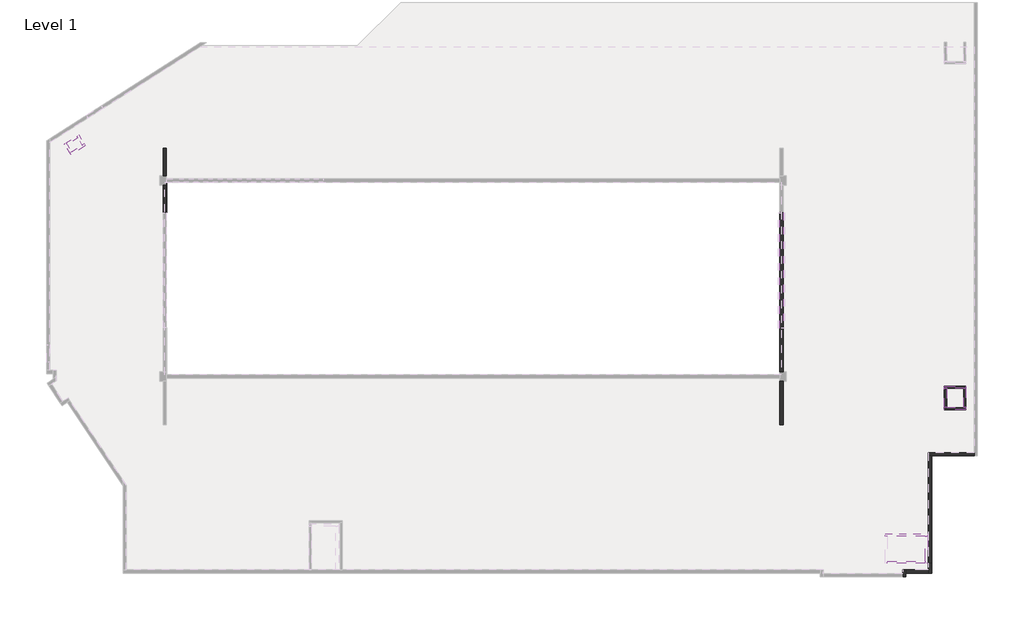
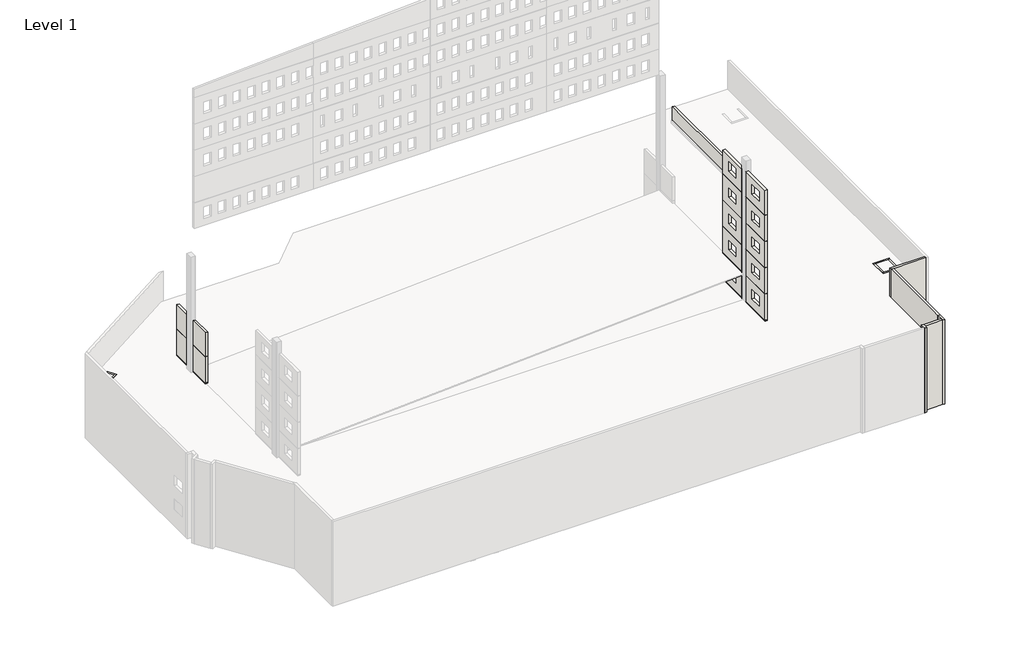
# One storey, part 2 of 4: 26 walls.
"""IFC4 building model written with IfcOpenShell, lengths in millimetres."""

from ifc_helpers import new_model, si_unit, frame, origin, place, context, project, spatial, polyline, outline, extrude, faceted_brep, element, save

model = new_model("IFC4")

# Units and contexts
model_context = context("Model", 3, world=origin())
ifc_project = project(units=[si_unit("LENGTHUNIT", "METRE", prefix="MILLI")], contexts=[model_context])

# Site, building, storey
site = spatial("IfcSite", under=ifc_project)
building = spatial("IfcBuilding", under=site)
storey = spatial("IfcBuildingStorey", under=building, Name="Level 1", Elevation=0.0)

# Walls
placement = place(None, origin())
element("IfcWall", 1, at=placement, inside=storey, context=model_context, shape_type="Brep", body=[
    faceted_brep([(53960.8784389, -7557.3634987, 406.4), (53960.8784389, -7557.3634987, 3403.6), (53960.8784389, -11686.6680269, 3403.6), (53960.8784389, -11686.6680269, 406.4), (53656.0784389, -7557.3634987, 3403.6), (53656.0784389, -7557.3634987, 406.4), (53656.0784389, -11705.7180269, 406.4), (53656.0784389, -11705.7180269, 3403.6), (53675.1284389, -11686.6680269, 3403.6), (53675.1284389, -11686.6680269, 406.4)], [[[0, 1, 2, 3]], [[4, 5, 6, 7]], [[8, 9, 3, 2]], [[9, 8, 7, 6]], [[5, 0, 3, 9, 6]], [[1, 0, 5, 4]], [[1, 4, 7, 8, 2]]]),
    faceted_brep([(53960.8784389, -16715.8680269, 24104.6), (53960.8784389, -16715.8680269, 20828.0), (53960.8784389, -12601.0680269, 20828.0), (53960.8784389, -12601.0680269, 24104.6), (53960.8784389, -15423.3567542, 23160.1347167), (53960.8784389, -13899.3567542, 23160.1347167), (53960.8784389, -13899.3567542, 21940.9347167), (53960.8784389, -15423.3567542, 21940.9347167), (53656.0784389, -16715.8680269, 20828.0), (53656.0784389, -16715.8680269, 24104.6), (53656.0784389, -12582.0180269, 24104.6), (53656.0784389, -12582.0180269, 20828.0), (53656.0784389, -13899.3567542, 23160.1347167), (53656.0784389, -15423.3567542, 23160.1347167), (53656.0784389, -15423.3567542, 21940.9347167), (53656.0784389, -13899.3567542, 21940.9347167), (53675.1284389, -12601.0680269, 20828.0), (53675.1284389, -12601.0680269, 24104.6)], [[[0, 1, 2, 3], [4, 5, 6, 7]], [[8, 9, 10, 11], [12, 13, 14, 15]], [[16, 17, 3, 2]], [[17, 16, 11, 10]], [[9, 0, 3, 17, 10]], [[1, 0, 9, 8]], [[1, 8, 11, 16, 2]], [[5, 4, 13, 12]], [[6, 5, 12, 15]], [[7, 6, 15, 14]], [[4, 7, 14, 13]]]),
    faceted_brep([(53960.8784389, -16715.8680269, 3403.6), (53960.8784389, -16715.8680269, 406.4), (53960.8784389, -12601.0680269, 406.4), (53960.8784389, -12601.0680269, 3403.6), (53960.8784389, -15423.3567542, 2738.4535586), (53960.8784389, -13899.3567542, 2738.4535586), (53960.8784389, -13899.3567542, 1519.2535586), (53960.8784389, -15423.3567542, 1519.2535586), (53656.0784389, -16715.8680269, 406.4), (53656.0784389, -16715.8680269, 3403.6), (53656.0784389, -12582.0180269, 3403.6), (53656.0784389, -12582.0180269, 406.4), (53656.0784389, -13899.3567542, 2738.4535586), (53656.0784389, -15423.3567542, 2738.4535586), (53656.0784389, -15423.3567542, 1519.2535586), (53656.0784389, -13899.3567542, 1519.2535586), (53675.1284389, -12601.0680269, 406.4), (53675.1284389, -12601.0680269, 3403.6)], [[[0, 1, 2, 3], [4, 5, 6, 7]], [[8, 9, 10, 11], [12, 13, 14, 15]], [[16, 17, 3, 2]], [[17, 16, 11, 10]], [[1, 8, 11, 16, 2]], [[9, 0, 3, 17, 10]], [[1, 0, 9, 8]], [[5, 4, 13, 12]], [[6, 5, 12, 15]], [[7, 6, 15, 14]], [[4, 7, 14, 13]]]),
    faceted_brep([(53960.8784389, -16715.8680269, 20802.6), (53960.8784389, -16715.8680269, 17348.2), (53960.8784389, -12601.0680269, 17348.2), (53960.8784389, -12601.0680269, 20802.6), (53960.8784389, -15423.3567542, 19680.3347167), (53960.8784389, -13899.3567542, 19680.3347167), (53960.8784389, -13899.3567542, 18461.1347167), (53960.8784389, -15423.3567542, 18461.1347167), (53656.0784389, -16715.8680269, 17348.2), (53656.0784389, -16715.8680269, 20802.6), (53656.0784389, -12582.0180269, 20802.6), (53656.0784389, -12582.0180269, 17348.2), (53656.0784389, -13899.3567542, 19680.3347167), (53656.0784389, -15423.3567542, 19680.3347167), (53656.0784389, -15423.3567542, 18461.1347167), (53656.0784389, -13899.3567542, 18461.1347167), (53675.1284389, -12601.0680269, 17348.2), (53675.1284389, -12601.0680269, 20802.6)], [[[0, 1, 2, 3], [4, 5, 6, 7]], [[8, 9, 10, 11], [12, 13, 14, 15]], [[16, 17, 3, 2]], [[17, 16, 11, 10]], [[1, 0, 9, 8]], [[1, 8, 11, 16, 2]], [[9, 0, 3, 17, 10]], [[5, 4, 13, 12]], [[6, 5, 12, 15]], [[7, 6, 15, 14]], [[4, 7, 14, 13]]]),
    faceted_brep([(53960.8784389, -7557.3634987, 17348.2), (53960.8784389, -7557.3634987, 20802.6), (53960.8784389, -11686.6680269, 20802.6), (53960.8784389, -11686.6680269, 17348.2), (53960.8784389, -8864.3792997, 19680.3347167), (53960.8784389, -8864.3792997, 18461.1347167), (53960.8784389, -10388.3792997, 18461.1347167), (53960.8784389, -10388.3792997, 19680.3347167), (53656.0784389, -7557.3634987, 20802.6), (53656.0784389, -7557.3634987, 17348.2), (53656.0784389, -11705.7180269, 17348.2), (53656.0784389, -11705.7180269, 20802.6), (53656.0784389, -8864.3792997, 18461.1347167), (53656.0784389, -8864.3792997, 19680.3347167), (53656.0784389, -10388.3792997, 19680.3347167), (53656.0784389, -10388.3792997, 18461.1347167), (53675.1284389, -11686.6680269, 20802.6), (53675.1284389, -11686.6680269, 17348.2)], [[[0, 1, 2, 3], [4, 5, 6, 7]], [[8, 9, 10, 11], [12, 13, 14, 15]], [[16, 17, 3, 2]], [[17, 16, 11, 10]], [[9, 0, 3, 17, 10]], [[1, 0, 9, 8]], [[1, 8, 11, 16, 2]], [[5, 4, 13, 12]], [[6, 5, 12, 15]], [[7, 6, 15, 14]], [[4, 7, 14, 13]]]),
    faceted_brep([(53960.8784389, -16715.8680269, 17322.8), (53960.8784389, -16715.8680269, 13868.4), (53960.8784389, -12601.0680269, 13868.4), (53960.8784389, -12601.0680269, 17322.8), (53960.8784389, -15423.3567542, 16200.5347167), (53960.8784389, -13899.3567542, 16200.5347167), (53960.8784389, -13899.3567542, 14981.3347167), (53960.8784389, -15423.3567542, 14981.3347167), (53656.0784389, -16715.8680269, 13868.4), (53656.0784389, -16715.8680269, 17322.8), (53656.0784389, -12582.0180269, 17322.8), (53656.0784389, -12582.0180269, 13868.4), (53656.0784389, -13899.3567542, 16200.5347167), (53656.0784389, -15423.3567542, 16200.5347167), (53656.0784389, -15423.3567542, 14981.3347167), (53656.0784389, -13899.3567542, 14981.3347167), (53675.1284389, -12601.0680269, 13868.4), (53675.1284389, -12601.0680269, 17322.8)], [[[0, 1, 2, 3], [4, 5, 6, 7]], [[8, 9, 10, 11], [12, 13, 14, 15]], [[16, 17, 3, 2]], [[17, 16, 11, 10]], [[1, 0, 9, 8]], [[1, 8, 11, 16, 2]], [[9, 0, 3, 17, 10]], [[5, 4, 13, 12]], [[6, 5, 12, 15]], [[7, 6, 15, 14]], [[4, 7, 14, 13]]]),
    faceted_brep([(53960.8784389, -7557.3634987, 13868.4), (53960.8784389, -7557.3634987, 17322.8), (53960.8784389, -11686.6680269, 17322.8), (53960.8784389, -11686.6680269, 13868.4), (53960.8784389, -8864.3792997, 16200.5347167), (53960.8784389, -8864.3792997, 14981.3347167), (53960.8784389, -10388.3792997, 14981.3347167), (53960.8784389, -10388.3792997, 16200.5347167), (53656.0784389, -7557.3634987, 17322.8), (53656.0784389, -7557.3634987, 13868.4), (53656.0784389, -11705.7180269, 13868.4), (53656.0784389, -11705.7180269, 17322.8), (53656.0784389, -8864.3792997, 14981.3347167), (53656.0784389, -8864.3792997, 16200.5347167), (53656.0784389, -10388.3792997, 16200.5347167), (53656.0784389, -10388.3792997, 14981.3347167), (53675.1284389, -11686.6680269, 17322.8), (53675.1284389, -11686.6680269, 13868.4)], [[[0, 1, 2, 3], [4, 5, 6, 7]], [[8, 9, 10, 11], [12, 13, 14, 15]], [[16, 17, 3, 2]], [[17, 16, 11, 10]], [[9, 0, 3, 17, 10]], [[1, 0, 9, 8]], [[1, 8, 11, 16, 2]], [[5, 4, 13, 12]], [[6, 5, 12, 15]], [[7, 6, 15, 14]], [[4, 7, 14, 13]]]),
    faceted_brep([(53960.8784389, -16715.8680269, 13843.0), (53960.8784389, -16715.8680269, 10388.6), (53960.8784389, -12601.0680269, 10388.6), (53960.8784389, -12601.0680269, 13843.0), (53960.8784389, -15423.3567542, 12720.7347167), (53960.8784389, -13899.3567542, 12720.7347167), (53960.8784389, -13899.3567542, 11501.5347167), (53960.8784389, -15423.3567542, 11501.5347167), (53656.0784389, -16715.8680269, 10388.6), (53656.0784389, -16715.8680269, 13843.0), (53656.0784389, -12582.0180269, 13843.0), (53656.0784389, -12582.0180269, 10388.6), (53656.0784389, -13899.3567542, 12720.7347167), (53656.0784389, -15423.3567542, 12720.7347167), (53656.0784389, -15423.3567542, 11501.5347167), (53656.0784389, -13899.3567542, 11501.5347167), (53675.1284389, -12601.0680269, 10388.6), (53675.1284389, -12601.0680269, 13843.0)], [[[0, 1, 2, 3], [4, 5, 6, 7]], [[8, 9, 10, 11], [12, 13, 14, 15]], [[16, 17, 3, 2]], [[17, 16, 11, 10]], [[1, 0, 9, 8]], [[1, 8, 11, 16, 2]], [[9, 0, 3, 17, 10]], [[5, 4, 13, 12]], [[6, 5, 12, 15]], [[7, 6, 15, 14]], [[4, 7, 14, 13]]]),
    faceted_brep([(53960.8784389, -7557.3634987, 10388.6), (53960.8784389, -7557.3634987, 13843.0), (53960.8784389, -11686.6680269, 13843.0), (53960.8784389, -11686.6680269, 10388.6), (53960.8784389, -8864.3792997, 12720.7347167), (53960.8784389, -8864.3792997, 11501.5347167), (53960.8784389, -10388.3792997, 11501.5347167), (53960.8784389, -10388.3792997, 12720.7347167), (53656.0784389, -7557.3634987, 13843.0), (53656.0784389, -7557.3634987, 10388.6), (53656.0784389, -11705.7180269, 10388.6), (53656.0784389, -11705.7180269, 13843.0), (53656.0784389, -8864.3792997, 11501.5347167), (53656.0784389, -8864.3792997, 12720.7347167), (53656.0784389, -10388.3792997, 12720.7347167), (53656.0784389, -10388.3792997, 11501.5347167), (53675.1284389, -11686.6680269, 13843.0), (53675.1284389, -11686.6680269, 10388.6)], [[[0, 1, 2, 3], [4, 5, 6, 7]], [[8, 9, 10, 11], [12, 13, 14, 15]], [[16, 17, 3, 2]], [[17, 16, 11, 10]], [[9, 0, 3, 17, 10]], [[1, 0, 9, 8]], [[1, 8, 11, 16, 2]], [[5, 4, 13, 12]], [[6, 5, 12, 15]], [[7, 6, 15, 14]], [[4, 7, 14, 13]]]),
    faceted_brep([(53960.8784389, -16715.8680269, 10363.2), (53960.8784389, -16715.8680269, 6908.8), (53960.8784389, -12601.0680269, 6908.8), (53960.8784389, -12601.0680269, 10363.2), (53960.8784389, -15423.3567542, 9240.9347167), (53960.8784389, -13899.3567542, 9240.9347167), (53960.8784389, -13899.3567542, 8021.7347167), (53960.8784389, -15423.3567542, 8021.7347167), (53656.0784389, -16715.8680269, 6908.8), (53656.0784389, -16715.8680269, 10363.2), (53656.0784389, -12582.0180269, 10363.2), (53656.0784389, -12582.0180269, 6908.8), (53656.0784389, -13899.3567542, 9240.9347167), (53656.0784389, -15423.3567542, 9240.9347167), (53656.0784389, -15423.3567542, 8021.7347167), (53656.0784389, -13899.3567542, 8021.7347167), (53675.1284389, -12601.0680269, 6908.8), (53675.1284389, -12601.0680269, 10363.2)], [[[0, 1, 2, 3], [4, 5, 6, 7]], [[8, 9, 10, 11], [12, 13, 14, 15]], [[16, 17, 3, 2]], [[17, 16, 11, 10]], [[9, 0, 3, 17, 10]], [[1, 0, 9, 8]], [[1, 8, 11, 16, 2]], [[5, 4, 13, 12]], [[6, 5, 12, 15]], [[7, 6, 15, 14]], [[4, 7, 14, 13]]]),
    faceted_brep([(53960.8784389, -7557.3634987, 6908.8), (53960.8784389, -7557.3634987, 10363.2), (53960.8784389, -11686.6680269, 10363.2), (53960.8784389, -11686.6680269, 6908.8), (53960.8784389, -8864.3792997, 9240.9347167), (53960.8784389, -8864.3792997, 8021.7347167), (53960.8784389, -10388.3792997, 8021.7347167), (53960.8784389, -10388.3792997, 9240.9347167), (53656.0784389, -7557.3634987, 10363.2), (53656.0784389, -7557.3634987, 6908.8), (53656.0784389, -11705.7180269, 6908.8), (53656.0784389, -11705.7180269, 10363.2), (53656.0784389, -8864.3792997, 8021.7347167), (53656.0784389, -8864.3792997, 9240.9347167), (53656.0784389, -10388.3792997, 9240.9347167), (53656.0784389, -10388.3792997, 8021.7347167), (53675.1284389, -11686.6680269, 10363.2), (53675.1284389, -11686.6680269, 6908.8)], [[[0, 1, 2, 3], [4, 5, 6, 7]], [[8, 9, 10, 11], [12, 13, 14, 15]], [[16, 17, 3, 2]], [[17, 16, 11, 10]], [[1, 8, 11, 16, 2]], [[9, 0, 3, 17, 10]], [[1, 0, 9, 8]], [[5, 4, 13, 12]], [[6, 5, 12, 15]], [[7, 6, 15, 14]], [[4, 7, 14, 13]]]),
    faceted_brep([(53960.8784389, -16715.8680269, 6883.4), (53960.8784389, -16715.8680269, 3429.0), (53960.8784389, -12601.0680269, 3429.0), (53960.8784389, -12601.0680269, 6883.4), (53960.8784389, -15423.3567542, 5761.1347167), (53960.8784389, -13899.3567542, 5761.1347167), (53960.8784389, -13899.3567542, 4541.9347167), (53960.8784389, -15423.3567542, 4541.9347167), (53656.0784389, -16715.8680269, 3429.0), (53656.0784389, -16715.8680269, 6883.4), (53656.0784389, -12582.0180269, 6883.4), (53656.0784389, -12582.0180269, 3429.0), (53656.0784389, -13899.3567542, 5761.1347167), (53656.0784389, -15423.3567542, 5761.1347167), (53656.0784389, -15423.3567542, 4541.9347167), (53656.0784389, -13899.3567542, 4541.9347167), (53675.1284389, -12601.0680269, 3429.0), (53675.1284389, -12601.0680269, 6883.4)], [[[0, 1, 2, 3], [4, 5, 6, 7]], [[8, 9, 10, 11], [12, 13, 14, 15]], [[16, 17, 3, 2]], [[17, 16, 11, 10]], [[1, 0, 9, 8]], [[1, 8, 11, 16, 2]], [[9, 0, 3, 17, 10]], [[5, 4, 13, 12]], [[6, 5, 12, 15]], [[7, 6, 15, 14]], [[4, 7, 14, 13]]]),
    faceted_brep([(53960.8784389, -7557.3634987, 3429.0), (53960.8784389, -7557.3634987, 6883.4), (53960.8784389, -11686.6680269, 6883.4), (53960.8784389, -11686.6680269, 3429.0), (53960.8784389, -8864.3792997, 5761.1347167), (53960.8784389, -8864.3792997, 4541.9347167), (53960.8784389, -10388.3792997, 4541.9347167), (53960.8784389, -10388.3792997, 5761.1347167), (53656.0784389, -7557.3634987, 6883.4), (53656.0784389, -7557.3634987, 3429.0), (53656.0784389, -11705.7180269, 3429.0), (53656.0784389, -11705.7180269, 6883.4), (53656.0784389, -8864.3792997, 4541.9347167), (53656.0784389, -8864.3792997, 5761.1347167), (53656.0784389, -10388.3792997, 5761.1347167), (53656.0784389, -10388.3792997, 4541.9347167), (53675.1284389, -11686.6680269, 6883.4), (53675.1284389, -11686.6680269, 3429.0)], [[[0, 1, 2, 3], [4, 5, 6, 7]], [[8, 9, 10, 11], [12, 13, 14, 15]], [[16, 17, 3, 2]], [[17, 16, 11, 10]], [[9, 0, 3, 17, 10]], [[1, 0, 9, 8]], [[1, 8, 11, 16, 2]], [[5, 4, 13, 12]], [[6, 5, 12, 15]], [[7, 6, 15, 14]], [[4, 7, 14, 13]]]),
    faceted_brep([(53960.8784389, -7557.3634987, 20828.0), (53960.8784389, -7557.3634987, 23926.8), (53960.8784389, -11686.6680269, 23926.8), (53960.8784389, -11686.6680269, 20828.0), (53960.8784389, -8864.3792997, 23160.1347167), (53960.8784389, -8864.3792997, 21940.9347167), (53960.8784389, -10388.3792997, 21940.9347167), (53960.8784389, -10388.3792997, 23160.1347167), (53656.0784389, -7557.3634987, 23926.8), (53656.0784389, -7557.3634987, 23012.4), (53656.0784389, -7557.3634987, 21234.4), (53656.0784389, -7557.3634987, 20828.0), (53656.0784389, -11705.7180269, 20828.0), (53656.0784389, -11705.7180269, 23926.8), (53656.0784389, -8864.3792997, 21940.9347167), (53656.0784389, -8864.3792997, 23160.1347167), (53656.0784389, -10388.3792997, 23160.1347167), (53656.0784389, -10388.3792997, 21940.9347167), (53675.1284389, -11686.6680269, 23926.8), (53675.1284389, -11686.6680269, 20828.0)], [[[0, 1, 2, 3], [4, 5, 6, 7]], [[8, 9, 10, 11, 12, 13], [14, 15, 16, 17]], [[18, 19, 3, 2]], [[19, 18, 13, 12]], [[1, 8, 13, 18, 2]], [[11, 0, 3, 19, 12]], [[5, 4, 15, 14]], [[6, 5, 14, 17]], [[7, 6, 17, 16]], [[4, 7, 16, 15]], [[0, 11, 10, 9, 8, 1]]]),
])
element("IfcWall", 2, at=placement, inside=storey, context=model_context, shape_type="SweptSolid", body=[
    extrude(outline(polyline([(-4865.5215611, 9496.9319731), (-4560.7215611, 9496.9319731), (-4560.7215611, 6887.0819731), (-4579.7715611, 6906.1319731), (-4865.5215611, 6906.1319731), (-4865.5215611, 9496.9319731)])), frame((0.0, 0.0, 406.4), z_axis=(0.0, 0.0, 1.0), x_axis=(1.0, 0.0, 0.0)), (0.0, 0.0, 1.0), 2997.2),
    extrude(outline(polyline([(-4560.7215611, 3375.5319731), (-4865.5215611, 3375.5319731), (-4865.5215611, 5991.7319731), (-4579.7715611, 5991.7319731), (-4560.7215611, 6010.7819731), (-4560.7215611, 3375.5319731)])), frame((0.0, 0.0, 10388.6), z_axis=(0.0, 0.0, 1.0), x_axis=(1.0, 0.0, 0.0)), (0.0, 0.0, 1.0), 3177.4329103),
    extrude(outline(polyline([(-4865.5215611, 9496.9319731), (-4560.7215611, 9496.9319731), (-4560.7215611, 6887.0819731), (-4579.7715611, 6906.1319731), (-4865.5215611, 6906.1319731), (-4865.5215611, 9496.9319731)])), frame((0.0, 0.0, 10388.6), z_axis=(0.0, 0.0, 1.0), x_axis=(1.0, 0.0, 0.0)), (0.0, 0.0, 1.0), 3177.4329103),
    extrude(outline(polyline([(-4560.7215611, 3375.5319731), (-4865.5215611, 3375.5319731), (-4865.5215611, 5991.7319731), (-4579.7715611, 5991.7319731), (-4560.7215611, 6010.7819731), (-4560.7215611, 3375.5319731)])), frame((0.0, 0.0, 406.4), z_axis=(0.0, 0.0, 1.0), x_axis=(1.0, 0.0, 0.0)), (0.0, 0.0, 1.0), 2997.2),
    extrude(outline(polyline([(-4560.7215611, 3375.5319731), (-4865.5215611, 3375.5319731), (-4865.5215611, 5991.7319731), (-4579.7715611, 5991.7319731), (-4560.7215611, 6010.7819731), (-4560.7215611, 3375.5319731)])), frame((0.0, 0.0, 6908.8), z_axis=(0.0, 0.0, 1.0), x_axis=(1.0, 0.0, 0.0)), (0.0, 0.0, 1.0), 3454.4),
    extrude(outline(polyline([(-4865.5215611, 9496.9319731), (-4560.7215611, 9496.9319731), (-4560.7215611, 6887.0819731), (-4579.7715611, 6906.1319731), (-4865.5215611, 6906.1319731), (-4865.5215611, 9496.9319731)])), frame((0.0, 0.0, 6908.8), z_axis=(0.0, 0.0, 1.0), x_axis=(1.0, 0.0, 0.0)), (0.0, 0.0, 1.0), 3454.4),
    extrude(outline(polyline([(-4865.5215611, 9496.9319731), (-4560.7215611, 9496.9319731), (-4560.7215611, 6887.0819731), (-4579.7715611, 6906.1319731), (-4865.5215611, 6906.1319731), (-4865.5215611, 9496.9319731)])), frame((0.0, 0.0, 3429.0), z_axis=(0.0, 0.0, 1.0), x_axis=(1.0, 0.0, 0.0)), (0.0, 0.0, 1.0), 3454.4),
    extrude(outline(polyline([(-4560.7215611, 3375.5319731), (-4865.5215611, 3375.5319731), (-4865.5215611, 5991.7319731), (-4579.7715611, 5991.7319731), (-4560.7215611, 6010.7819731), (-4560.7215611, 3375.5319731)])), frame((0.0, 0.0, 3429.0), z_axis=(0.0, 0.0, 1.0), x_axis=(1.0, 0.0, 0.0)), (0.0, 0.0, 1.0), 3454.4),
])
element("IfcWall", 3, ObjectType="WPC - 8\" Masonry", at=placement, inside=storey, context=model_context, shape_type="Brep", body=[
    faceted_brep([(-13059.3656092, 10664.8528594, 3657.6), (-12950.5855225, 10493.2220558, 3657.6), (-12523.1137753, 9818.7666325, 3657.6), (-12523.1137753, 9818.7666325, 6756.4), (-12950.5855225, 10493.2220558, 6756.4), (-13059.3656092, 10664.8528594, 6756.4), (-12887.7348057, 10773.6329461, 3657.6), (-12887.7348057, 10773.6329461, 6756.4), (-12351.4829718, 9927.5467193, 6756.4), (-12351.4829718, 9927.5467193, 3657.6)], [[[0, 1, 2, 3, 4, 5]], [[6, 7, 8, 9]], [[2, 1, 0, 6, 9]], [[5, 4, 3, 8, 7]], [[3, 2, 9, 8]], [[0, 5, 7, 6]]]),
])
element("IfcWall", 4, ObjectType="WPC - 8\" Masonry", at=placement, inside=storey, context=model_context, shape_type="Brep", body=[
    faceted_brep([(-13544.8534027, 9171.1851785, 3657.6), (-13972.3251498, 9845.6406019, 3657.6), (-14081.1052366, 10017.2714054, 3657.6), (-14081.1052366, 10017.2714054, 6756.4), (-13972.3251498, 9845.6406019, 6756.4), (-13544.8534027, 9171.1851785, 6756.4), (-13716.4842062, 9062.4050918, 3657.6), (-13716.4842062, 9062.4050918, 6756.4), (-14252.7360401, 9908.4913186, 6756.4), (-14252.7360401, 9908.4913186, 3657.6)], [[[0, 1, 2, 3, 4, 5]], [[6, 7, 8, 9]], [[2, 1, 0, 6, 9]], [[5, 4, 3, 8, 7]], [[3, 2, 9, 8]], [[0, 5, 7, 6]]]),
])
element("IfcWall", 5, ObjectType="WPC - 8\" Masonry", at=placement, inside=storey, context=model_context, shape_type="SweptSolid", body=[
    extrude(outline(polyline([(-14081.1052366, 10017.2714054), (-13059.3656092, 10664.8528594), (-12950.5855225, 10493.2220558), (-13972.3251498, 9845.6406019), (-14081.1052366, 10017.2714054)])), frame((0.0, 0.0, 3657.6), z_axis=(0.0, 0.0, 1.0), x_axis=(1.0, 0.0, 0.0)), (0.0, 0.0, 1.0), 3098.8),
])
element("IfcWall", 6, ObjectType="WPC - 8\" Masonry", at=placement, inside=storey, context=model_context, shape_type="Brep", body=[
    faceted_brep([(-12351.4829718, 9927.5467193, 3657.6), (-12523.1137753, 9818.7666325, 3657.6), (-13544.8534027, 9171.1851785, 3657.6), (-13716.4842062, 9062.4050918, 3657.6), (-13716.4842062, 9062.4050918, 6756.4), (-13544.8534027, 9171.1851785, 6756.4), (-12523.1137753, 9818.7666325, 6756.4), (-12351.4829718, 9927.5467193, 6756.4), (-12242.702885, 9755.9159157, 3657.6), (-12242.702885, 9755.9159157, 6756.4), (-13607.7041195, 8890.7742882, 6756.4), (-13607.7041195, 8890.7742882, 3657.6)], [[[0, 1, 2, 3, 4, 5, 6, 7]], [[8, 9, 10, 11]], [[3, 2, 1, 0, 8, 11]], [[7, 6, 5, 4, 10, 9]], [[0, 7, 9, 8]], [[4, 3, 11, 10]]]),
])
element("IfcWall", 7, ObjectType="WPC - 8\" Masonry", at=placement, inside=storey, context=model_context, shape_type="SweptSolid", body=[
    extrude(outline(polyline([(-13261.4680269, 3657.6), (-15090.2680269, 3657.6), (-15090.2680269, 6756.4), (-13261.4680269, 6756.4), (-13261.4680269, 3657.6)]), holes=[polyline([(-13357.2331282, 5801.0925342), (-15057.7574017, 5801.0925342), (-15057.7574017, 4248.5509745), (-13357.2331282, 4248.5509745), (-13357.2331282, 5801.0925342)])]), frame((69270.9767118, 0.0, 0.0), z_axis=(1.0, 0.0, 0.0), x_axis=(0.0, 1.0, 0.0)), (0.0, 0.0, 1.0), 203.2),
])
element("IfcWall", 8, ObjectType="WPC - 8\" Masonry", at=placement, inside=storey, context=model_context, shape_type="SweptSolid", body=[
    extrude(outline(polyline([(71106.1267118, -15090.2680269), (71106.1267118, -13261.4680269), (71309.3267118, -13261.4680269), (71309.3267118, -15090.2680269), (71106.1267118, -15090.2680269)])), frame((0.0, 0.0, 3657.6), z_axis=(0.0, 0.0, 1.0), x_axis=(1.0, 0.0, 0.0)), (0.0, 0.0, 1.0), 3098.8),
])
element("IfcWall", 9, ObjectType="WPC - 8\" Masonry", at=placement, inside=storey, context=model_context, shape_type="Brep", body=[
    faceted_brep([(71309.3267118, -15090.2680269, 3657.6), (71106.1267118, -15090.2680269, 3657.6), (69474.1767118, -15090.2680269, 3657.6), (69270.9767118, -15090.2680269, 3657.6), (69270.9767118, -15090.2680269, 6756.4), (69474.1767118, -15090.2680269, 6756.4), (71106.1267118, -15090.2680269, 6756.4), (71309.3267118, -15090.2680269, 6756.4), (71309.3267118, -15293.4680269, 3657.6), (71309.3267118, -15293.4680269, 6756.4), (69270.9767118, -15293.4680269, 6756.4), (69270.9767118, -15293.4680269, 3657.6)], [[[0, 1, 2, 3, 4, 5, 6, 7]], [[8, 9, 10, 11]], [[4, 3, 11, 10]], [[0, 7, 9, 8]], [[3, 2, 1, 0, 8, 11]], [[7, 6, 5, 4, 10, 9]]]),
])
element("IfcWall", 10, ObjectType="WPC - 8\" Masonry", at=placement, inside=storey, context=model_context, shape_type="Brep", body=[
    faceted_brep([(71309.3267118, -13058.2680269, 3657.6), (69270.9767118, -13058.2680269, 3657.6), (69270.9767118, -13058.2680269, 6756.4), (71309.3267118, -13058.2680269, 6756.4), (71309.3267118, -13261.4680269, 3657.6), (71309.3267118, -13261.4680269, 6756.4), (71106.1267118, -13261.4680269, 6756.4), (69474.1767118, -13261.4680269, 6756.4), (69270.9767118, -13261.4680269, 6756.4), (69270.9767118, -13261.4680269, 3657.6), (69474.1767118, -13261.4680269, 3657.6), (71106.1267118, -13261.4680269, 3657.6)], [[[0, 1, 2, 3]], [[4, 5, 6, 7, 8, 9, 10, 11]], [[2, 1, 9, 8]], [[0, 3, 5, 4]], [[1, 0, 4, 11, 10, 9]], [[3, 2, 8, 7, 6, 5]]]),
])
element("IfcWall", 11, ObjectType="WPC - 8\" Masonry", at=placement, inside=storey, context=model_context, shape_type="SweptSolid", body=[
    extrude(outline(polyline([(-13261.4680269, 558.8), (-15090.2680269, 558.8), (-15090.2680269, 3657.6), (-13261.4680269, 3657.6), (-13261.4680269, 558.8)]), holes=[polyline([(-13357.2331282, 2702.2925342), (-15057.7574017, 2702.2925342), (-15057.7574017, 1149.7509745), (-13357.2331282, 1149.7509745), (-13357.2331282, 2702.2925342)])]), frame((69270.9767118, 0.0, 0.0), z_axis=(1.0, 0.0, 0.0), x_axis=(0.0, 1.0, 0.0)), (0.0, 0.0, 1.0), 203.2),
])
element("IfcWall", 12, ObjectType="WPC - 8\" Masonry", at=placement, inside=storey, context=model_context, shape_type="SweptSolid", body=[
    extrude(outline(polyline([(71106.1267118, -15090.2680269), (71106.1267118, -13261.4680269), (71309.3267118, -13261.4680269), (71309.3267118, -15090.2680269), (71106.1267118, -15090.2680269)])), frame((0.0, 0.0, 558.8), z_axis=(0.0, 0.0, 1.0), x_axis=(1.0, 0.0, 0.0)), (0.0, 0.0, 1.0), 3098.8),
])
element("IfcWall", 13, ObjectType="WPC - 8\" Masonry", at=placement, inside=storey, context=model_context, shape_type="Brep", body=[
    faceted_brep([(71309.3267118, -15090.2680269, 558.8), (71106.1267118, -15090.2680269, 558.8), (69474.1767118, -15090.2680269, 558.8), (69270.9767118, -15090.2680269, 558.8), (69270.9767118, -15090.2680269, 3657.6), (69474.1767118, -15090.2680269, 3657.6), (71106.1267118, -15090.2680269, 3657.6), (71309.3267118, -15090.2680269, 3657.6), (71309.3267118, -15293.4680269, 558.8), (71309.3267118, -15293.4680269, 3657.6), (69270.9767118, -15293.4680269, 3657.6), (69270.9767118, -15293.4680269, 558.8)], [[[0, 1, 2, 3, 4, 5, 6, 7]], [[8, 9, 10, 11]], [[4, 3, 11, 10]], [[0, 7, 9, 8]], [[3, 2, 1, 0, 8, 11]], [[7, 6, 5, 4, 10, 9]]]),
])
element("IfcWall", 14, ObjectType="WPC - 8\" Masonry", at=placement, inside=storey, context=model_context, shape_type="Brep", body=[
    faceted_brep([(71309.3267118, -13058.2680269, 558.8), (69270.9767118, -13058.2680269, 558.8), (69270.9767118, -13058.2680269, 3657.6), (71309.3267118, -13058.2680269, 3657.6), (71309.3267118, -13261.4680269, 558.8), (71309.3267118, -13261.4680269, 3657.6), (71106.1267118, -13261.4680269, 3657.6), (69474.1767118, -13261.4680269, 3657.6), (69270.9767118, -13261.4680269, 3657.6), (69270.9767118, -13261.4680269, 558.8), (69474.1767118, -13261.4680269, 558.8), (71106.1267118, -13261.4680269, 558.8)], [[[0, 1, 2, 3]], [[4, 5, 6, 7, 8, 9, 10, 11]], [[2, 1, 9, 8]], [[0, 3, 5, 4]], [[1, 0, 4, 11, 10, 9]], [[3, 2, 8, 7, 6, 5]]]),
])
element("IfcWall", 15, ObjectType="WPC - 8\" Masonry", at=placement, inside=storey, context=model_context, shape_type="Brep", body=[
    faceted_brep([(63665.5142118, -27294.4470107, 3657.6), (63868.7142118, -27294.4470107, 3657.6), (67475.5142118, -27294.4470107, 3657.6), (67678.7142118, -27294.4470107, 3657.6), (67678.7142118, -27294.4470107, 6756.4), (67475.5142118, -27294.4470107, 6756.4), (63868.7142118, -27294.4470107, 6756.4), (63665.5142118, -27294.4470107, 6756.4), (63665.5142118, -27091.2470107, 3657.6), (63665.5142118, -27091.2470107, 6756.4), (67678.7142118, -27091.2470107, 6756.4), (67678.7142118, -27091.2470107, 3657.6)], [[[0, 1, 2, 3, 4, 5, 6, 7]], [[8, 9, 10, 11]], [[3, 2, 1, 0, 8, 11]], [[7, 6, 5, 4, 10, 9]], [[0, 7, 9, 8]], [[4, 3, 11, 10]]]),
])
element("IfcWall", 16, ObjectType="WPC - 8\" Masonry", at=placement, inside=storey, context=model_context, shape_type="Brep", body=[
    faceted_brep([(67475.5142118, -27294.4470107, 3657.6), (67475.5142118, -29662.9970107, 3657.6), (67475.5142118, -29866.1970107, 3657.6), (67475.5142118, -29866.1970107, 6756.4), (67475.5142118, -29662.9970107, 6756.4), (67475.5142118, -27294.4470107, 6756.4), (67678.7142118, -27294.4470107, 3657.6), (67678.7142118, -27294.4470107, 6756.4), (67678.7142118, -29866.1970107, 6756.4), (67678.7142118, -29866.1970107, 3657.6)], [[[0, 1, 2, 3, 4, 5]], [[6, 7, 8, 9]], [[2, 1, 0, 6, 9]], [[5, 4, 3, 8, 7]], [[0, 5, 7, 6]], [[3, 2, 9, 8]]]),
])
element("IfcWall", 17, ObjectType="WPC - 8\" Masonry", at=placement, inside=storey, context=model_context, shape_type="SweptSolid", body=[
    extrude(outline(polyline([(67475.5142118, -29866.1970107), (63868.7142118, -29866.1970107), (63868.7142118, -29662.9970107), (67475.5142118, -29662.9970107), (67475.5142118, -29866.1970107)])), frame((0.0, 0.0, 3657.6), z_axis=(0.0, 0.0, 1.0), x_axis=(1.0, 0.0, 0.0)), (0.0, 0.0, 1.0), 3098.8),
])
element("IfcWall", 18, ObjectType="WPC - 8\" Masonry", at=placement, inside=storey, context=model_context, shape_type="SweptSolid", body=[
    extrude(outline(polyline([(69270.9767118, -15057.7574017), (69270.9767118, -13357.2331282), (69474.1767118, -13357.2331282), (69474.1767118, -15057.7574017), (69270.9767118, -15057.7574017)])), frame((0.0, 0.0, 1149.7509745), z_axis=(0.0, 0.0, 1.0), x_axis=(1.0, 0.0, 0.0)), (0.0, 0.0, 1.0), 1552.5415597),
])
element("IfcWall", 19, ObjectType="WPC 12\" CIP", at=placement, inside=storey, context=model_context, shape_type="Brep", body=[
    faceted_brep([(67745.3892118, -19690.3162212, -660.4), (68050.1892118, -19690.3162212, -660.4), (72105.7223628, -19690.3162212, -660.4), (72105.7223628, -19690.3162212, 10541.0), (68050.1892118, -19690.3162212, 10541.0), (67745.3892118, -19690.3162212, 10541.0), (67745.3892118, -19385.5162212, -660.4), (67745.3892118, -19385.5162212, 10541.0), (72105.7223628, -19385.5162212, 10541.0), (72105.7223628, -19385.5162212, -660.4)], [[[0, 1, 2, 3, 4, 5]], [[6, 7, 8, 9]], [[2, 1, 0, 6, 9]], [[5, 4, 3, 8, 7]], [[3, 2, 9, 8]], [[0, 5, 7, 6]]]),
])
element("IfcWall", 20, ObjectType="WPC 12\" CIP", at=placement, inside=storey, context=model_context, shape_type="SweptSolid", body=[
    extrude(outline(polyline([(68050.1892118, -19690.3162212), (68050.1892118, -29851.1905584), (67745.3892118, -29851.1905584), (67745.3892118, -19690.3162212), (68050.1892118, -19690.3162212)])), frame((0.0, 0.0, -660.4), z_axis=(0.0, 0.0, 1.0), x_axis=(1.0, 0.0, 0.0)), (0.0, 0.0, 1.0), 11201.4),
])
element("IfcWall", 21, ObjectType="WPC 12\" CIP", at=placement, inside=storey, context=model_context, shape_type="Brep", body=[
    faceted_brep([(68050.1892118, -30815.5162212, -660.4), (68050.1892118, -29851.1905584, -660.4), (68050.1892118, -29851.1905584, 10541.0), (68050.1892118, -30815.5162212, 10541.0), (67745.3892118, -30815.5162212, -660.4), (67745.3892118, -30815.5162212, 10541.0), (67745.3892118, -30510.7162212, 10541.0), (67745.3892118, -29851.1905584, 10541.0), (67745.3892118, -29851.1905584, -660.4), (67745.3892118, -30510.7162212, -660.4)], [[[0, 1, 2, 3]], [[4, 5, 6, 7, 8, 9]], [[1, 0, 4, 9, 8]], [[2, 1, 8, 7]], [[3, 2, 7, 6, 5]], [[0, 3, 5, 4]]]),
])
element("IfcWall", 22, ObjectType="WPC 12\" CIP", at=placement, inside=storey, context=model_context, shape_type="SweptSolid", body=[
    extrude(outline(polyline([(67745.3892118, -30815.5162212), (65603.3223628, -30815.5162212), (65603.3223628, -30510.7162212), (67745.3892118, -30510.7162212), (67745.3892118, -30815.5162212)])), frame((0.0, 0.0, -660.4), z_axis=(0.0, 0.0, 1.0), x_axis=(1.0, 0.0, 0.0)), (0.0, 0.0, 1.0), 11201.4),
])
element("IfcWall", 23, ObjectType="WPC 12\" CIP", at=placement, inside=storey, context=model_context, shape_type="Brep", body=[
    faceted_brep([(65603.3223628, -31171.1162212, -660.4), (65603.3223628, -30815.5162212, -660.4), (65603.3223628, -30510.7162212, -660.4), (65603.3223628, -30510.7162212, 10541.0), (65603.3223628, -30815.5162212, 10541.0), (65603.3223628, -31171.1162212, 10541.0), (65298.5223628, -31171.1162212, -660.4), (65298.5223628, -31171.1162212, 10541.0), (65298.5223628, -30866.3162212, 10541.0), (65298.5223628, -30510.7162212, 10541.0), (65298.5223628, -30510.7162212, -660.4), (65298.5223628, -30866.3162212, -660.4)], [[[0, 1, 2, 3, 4, 5]], [[6, 7, 8, 9, 10, 11]], [[2, 1, 0, 6, 11, 10]], [[5, 4, 3, 9, 8, 7]], [[3, 2, 10, 9]], [[0, 5, 7, 6]]]),
])
element("IfcWall", 24, ObjectType="WPC 12\" CIP", at=placement, inside=storey, context=model_context, shape_type="SweptSolid", body=[
    extrude(outline(polyline([(53656.0784389, -7557.3634987), (53656.0784389, 3375.5319731), (53960.8784389, 3375.5319731), (53960.8784389, -7557.3634987), (53656.0784389, -7557.3634987)])), frame((0.0, 0.0, 21234.4), z_axis=(0.0, 0.0, 1.0), x_axis=(1.0, 0.0, 0.0)), (0.0, 0.0, 1.0), 1778.0),
])
element("IfcWall", 25, ObjectType="WPC 12\" CIP", at=placement, inside=storey, context=model_context, shape_type="SweptSolid", body=[
    extrude(outline(polyline([(53656.0784389, -7557.3634987), (53656.0784389, 3375.5319731), (53960.8784389, 3375.5319731), (53960.8784389, -7557.3634987), (53656.0784389, -7557.3634987)])), frame((0.0, 0.0, 1117.6), z_axis=(0.0, 0.0, 1.0), x_axis=(1.0, 0.0, 0.0)), (0.0, 0.0, 1.0), 5638.8),
])
element("IfcWall", 26, ObjectType="WPC 14\" CIP Foundation", at=placement, inside=storey, context=model_context, shape_type="Brep", body=[
    faceted_brep([(-4890.9215611, 9522.3319731, -660.4), (-4890.9215611, 6931.5319731, -660.4), (-4890.9215611, 5966.3319731, -660.4), (-4890.9215611, 3375.5319731, -660.4), (-4890.9215611, 3375.5319731, 406.4), (-4890.9215611, 5966.3319731, 406.4), (-4890.9215611, 6931.5319731, 406.4), (-4890.9215611, 9522.3319731, 406.4), (-4535.3215611, 9522.3319731, -660.4), (-4535.3215611, 9522.3319731, 406.4), (-4535.3215611, 3375.5319731, 406.4), (-4535.3215611, 3375.5319731, -660.4)], [[[0, 1, 2, 3, 4, 5, 6, 7]], [[8, 9, 10, 11]], [[3, 2, 1, 0, 8, 11]], [[4, 3, 11, 10]], [[7, 6, 5, 4, 10, 9]], [[0, 7, 9, 8]]]),
])

save(model, "model.ifc")
